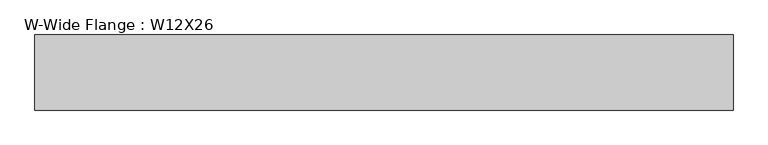
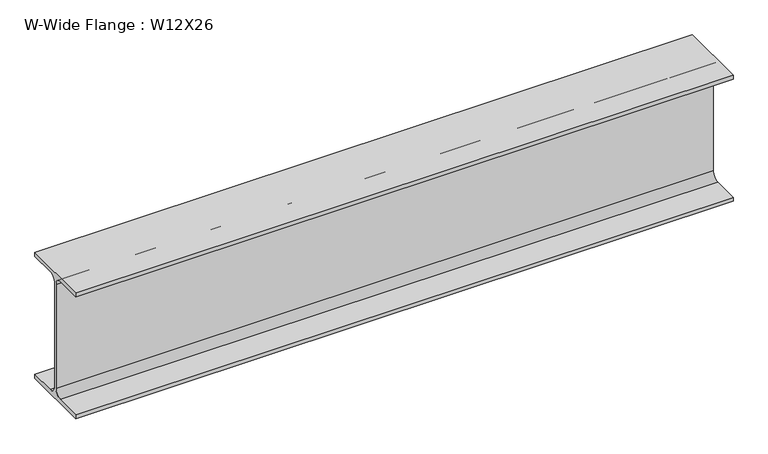
"""IFC4 building model written with IfcOpenShell, lengths in millimetres: beam geometry, W-Wide Flange : W12X26."""

from ifc_helpers import new_model, si_unit, point, frame, frame_2d, origin, place, context, project, spatial, polyline, circle_curve, trimmed, segment, composite_curve, outline, extrude, source, transform, mapped, element, save


def w_wide_flange_w12x26_f712b40c(model_context):
    return source(origin(), model_context, "Body", "SweptSolid", [
        extrude(outline(composite_curve([segment(polyline([(82.4011719, -145.5539063), (82.4011719, -155.178125), (-82.4011719, -155.178125), (-82.4011719, -145.5539063), (-20.2902344, -145.5539063)]), True, "CONTINUOUS"), segment(trimmed(circle_curve(frame_2d((-20.2902344, -128.190625)), 17.3632812), [point((-20.2902344, -145.5539063))], [point((-2.9269531, -128.190625))], True, "CARTESIAN"), True, "CONTINUOUS"), segment(polyline([(-2.9269531, -128.190625), (-2.9269531, 128.190625)]), True, "CONTINUOUS"), segment(trimmed(circle_curve(frame_2d((-20.2902344, 128.190625)), 17.3632812), [point((-2.9269531, 128.190625))], [point((-20.2902344, 145.5539062))], True, "CARTESIAN"), True, "CONTINUOUS"), segment(polyline([(-20.2902344, 145.5539062), (-82.4011719, 145.5539062), (-82.4011719, 155.178125), (82.4011719, 155.178125), (82.4011719, 145.5539062), (20.2902344, 145.5539062)]), True, "CONTINUOUS"), segment(trimmed(circle_curve(frame_2d((20.2902344, 128.190625)), 17.3632812), [point((20.2902344, 145.5539062))], [point((2.9269531, 128.190625))], True, "CARTESIAN"), True, "CONTINUOUS"), segment(polyline([(2.9269531, 128.190625), (2.9269531, -128.190625)]), True, "CONTINUOUS"), segment(trimmed(circle_curve(frame_2d((20.2902344, -128.190625)), 17.3632812), [point((2.9269531, -128.190625))], [point((20.2902344, -145.5539063))], True, "CARTESIAN"), True, "CONTINUOUS"), segment(polyline([(20.2902344, -145.5539063), (82.4011719, -145.5539063)]), True, "CONTINUOUS")], self_intersect=False)), frame((-795.9841058, 0.0, 0.0), z_axis=(1.0, 0.0, 0.0), x_axis=(0.0, 1.0, 0.0)), (0.0, 0.0, 1.0), 1531.848189),
    ])


if __name__ == "__main__":
    model = new_model("IFC4")
    model_context = context("Model", 3, world=origin())
    ifc_project = project(units=[si_unit("LENGTHUNIT", "METRE", prefix="MILLI")], contexts=[model_context])
    site = spatial("IfcSite", under=ifc_project)
    building = spatial("IfcBuilding", under=site)
    placement = place(None, origin())
    w_wide_flange_w12x26_shape = w_wide_flange_w12x26_f712b40c(model_context)
    element("IfcBeam", 1, ObjectType="W-Wide Flange : W12X26", at=placement, inside=building, context=model_context, shape_type="MappedRepresentation", body=[
        mapped(w_wide_flange_w12x26_shape, transform((0.0, 0.0, 0.0), x_axis=(1.0, 0.0, 0.0), y_axis=(0.0, 1.0, 0.0), z_axis=(0.0, 0.0, 1.0))),
    ])
    save(model, "model.ifc")
